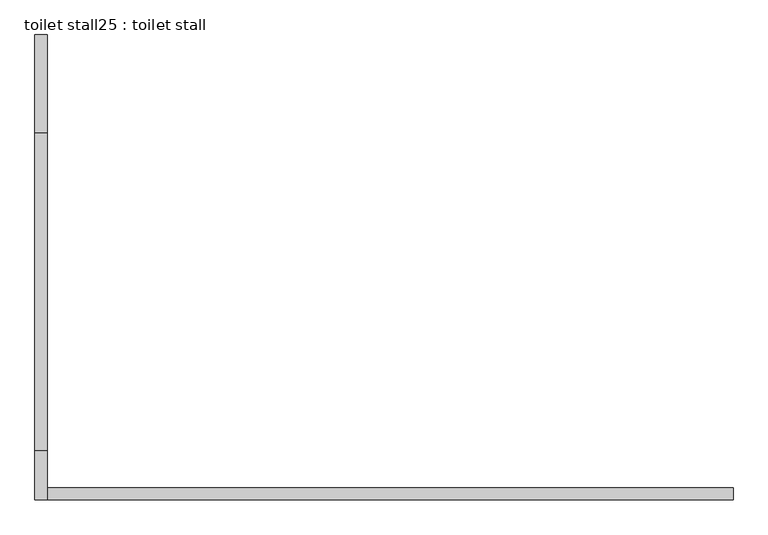
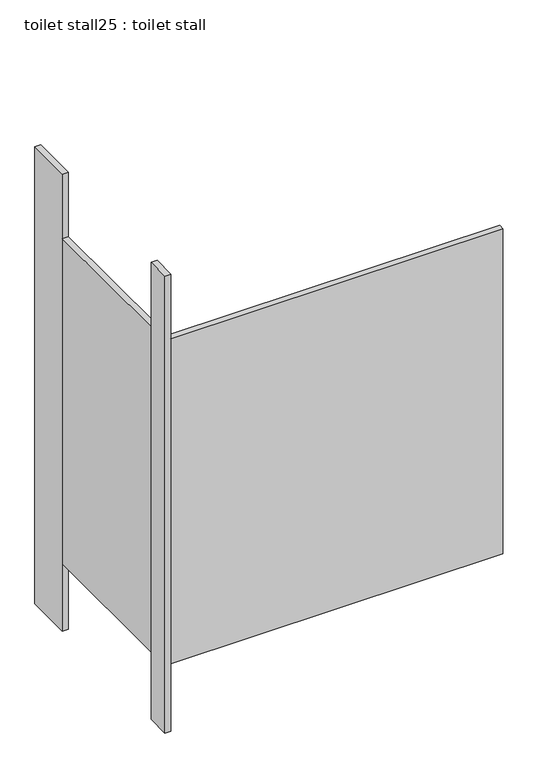
"""IFC4 building model written with IfcOpenShell, lengths in millimetres: proxy geometry, toilet stall25 : toilet stall."""

from ifc_helpers import new_model, si_unit, frame, origin, origin_with_axes, place, context, project, spatial, polyline, outline, extrude, source, transform, mapped, element, save


def toilet_stall25_toilet_stall_4f1db4b0(model_context):
    return source(origin(), model_context, "Body", "SweptSolid", [
        extrude(outline(polyline([(454658.2004676, -347629.9705223), (454632.8004676, -347629.9705223), (454632.8004676, -347426.7705223), (454658.2004676, -347426.7705223), (454658.2004676, -347629.9705223)])), origin_with_axes(), (0.0, 0.0, 1.0), 2070.1),
        extrude(outline(polyline([(454658.2004676, -348391.9705223), (454632.8004676, -348391.9705223), (454632.8004676, -348290.3705223), (454658.2004676, -348290.3705223), (454658.2004676, -348391.9705223)])), origin_with_axes(), (0.0, 0.0, 1.0), 2070.1),
        extrude(outline(polyline([(454658.2004676, -348391.9705223), (454658.2004676, -348366.5705223), (456080.6004676, -348366.5705223), (456080.6004676, -348391.9705223), (454658.2004676, -348391.9705223)])), frame((0.0, 0.0, 304.8), z_axis=(0.0, 0.0, 1.0), x_axis=(1.0, 0.0, 0.0)), (0.0, 0.0, 1.0), 1473.2),
        extrude(outline(polyline([(454658.2004676, -348290.3705223), (454632.8004676, -348290.3705223), (454632.8004676, -347629.9705223), (454658.2004676, -347629.9705223), (454658.2004676, -348290.3705223)])), frame((0.0, 0.0, 304.8), z_axis=(0.0, 0.0, 1.0), x_axis=(1.0, 0.0, 0.0)), (0.0, 0.0, 1.0), 1473.2),
    ])


if __name__ == "__main__":
    model = new_model("IFC4")
    model_context = context("Model", 3, world=origin())
    ifc_project = project(units=[si_unit("LENGTHUNIT", "METRE", prefix="MILLI")], contexts=[model_context])
    site = spatial("IfcSite", under=ifc_project)
    building = spatial("IfcBuilding", under=site)
    placement = place(None, origin())
    toilet_stall25_toilet_stall_shape = toilet_stall25_toilet_stall_4f1db4b0(model_context)
    element("IfcBuildingElementProxy", 1, Name="toilet stall25 : toilet stall", ObjectType="toilet stall25 : toilet stall", at=placement, inside=building, context=model_context, shape_type="MappedRepresentation", body=[
        mapped(toilet_stall25_toilet_stall_shape, transform((0.0, 0.0, 0.0), x_axis=(1.0, 0.0, 0.0), y_axis=(0.0, 1.0, 0.0), z_axis=(0.0, 0.0, 1.0))),
    ])
    save(model, "model.ifc")
